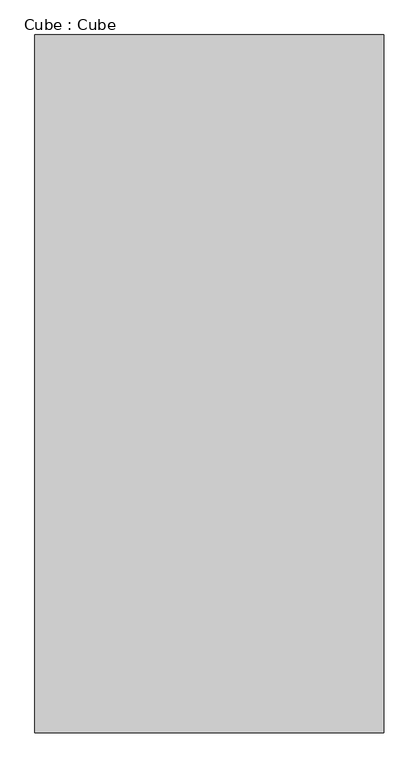
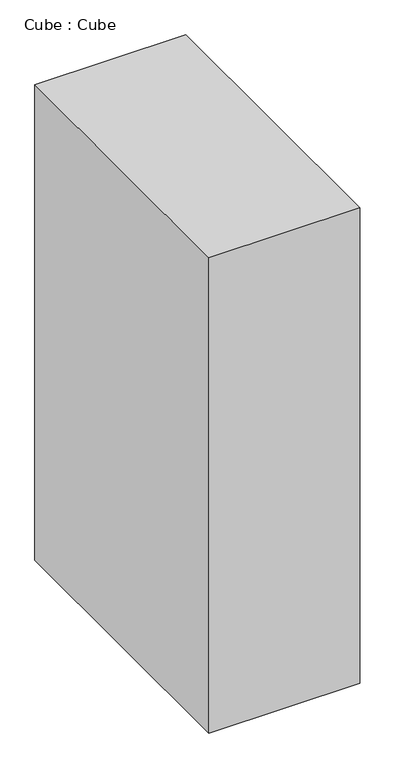
"""IFC4 building model written with IfcOpenShell, lengths in millimetres: proxy geometry, Cube : Cube."""

from ifc_helpers import new_model, si_unit, origin, origin_with_axes, place, context, project, spatial, polyline, outline, extrude, source, transform, mapped, element, save


def cube_cube_3ba5f805(model_context):
    return source(origin(), model_context, "Body", "SweptSolid", [
        extrude(outline(polyline([(750.0, 1500.0), (750.0, -1500.0), (-750.0, -1500.0), (-750.0, 1500.0), (750.0, 1500.0)])), origin_with_axes(), (0.0, 0.0, 1.0), 5000.0),
    ])


if __name__ == "__main__":
    model = new_model("IFC4")
    model_context = context("Model", 3, world=origin())
    ifc_project = project(units=[si_unit("LENGTHUNIT", "METRE", prefix="MILLI")], contexts=[model_context])
    site = spatial("IfcSite", under=ifc_project)
    building = spatial("IfcBuilding", under=site)
    placement = place(None, origin())
    cube_cube_shape = cube_cube_3ba5f805(model_context)
    element("IfcBuildingElementProxy", 1, Name="Cube : Cube", ObjectType="Cube : Cube", at=placement, inside=building, context=model_context, shape_type="MappedRepresentation", body=[
        mapped(cube_cube_shape, transform((0.0, 0.0, 0.0), x_axis=(1.0, 0.0, 0.0), y_axis=(0.0, 1.0, 0.0), z_axis=(0.0, 0.0, 1.0))),
    ])
    save(model, "model.ifc")
